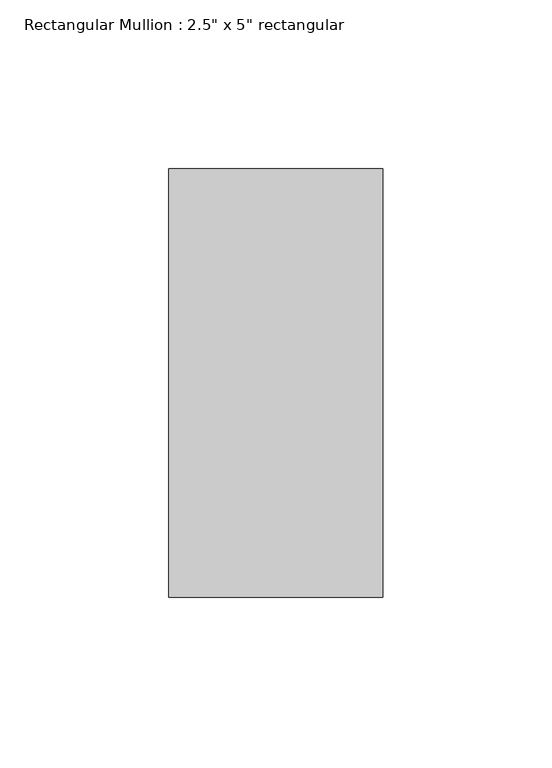
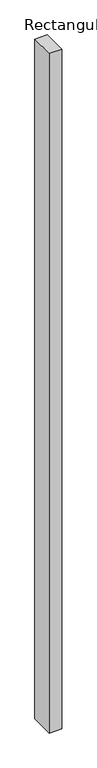
"""IFC4 building model written with IfcOpenShell, lengths in millimetres: member geometry."""

from ifc_helpers import new_model, si_unit, frame, origin, place, context, project, spatial, polyline, outline, extrude, source, transform, mapped, element, save


def member_e50fb9b3(model_context):
    return source(origin(), model_context, "Body", "SweptSolid", [
        extrude(outline(polyline([(31.75, 63.5), (31.75, -63.5), (-31.75, -63.5), (-31.75, 63.5), (31.75, 63.5)])), frame((0.0, 0.0, -3675.1505466), z_axis=(0.0, 0.0, 1.0), x_axis=(1.0, 0.0, 0.0)), (0.0, 0.0, 1.0), 3675.1505466),
    ])


if __name__ == "__main__":
    model = new_model("IFC4")
    model_context = context("Model", 3, world=origin())
    ifc_project = project(units=[si_unit("LENGTHUNIT", "METRE", prefix="MILLI")], contexts=[model_context])
    site = spatial("IfcSite", under=ifc_project)
    building = spatial("IfcBuilding", under=site)
    placement = place(None, origin())
    member_shape = member_e50fb9b3(model_context)
    element("IfcMember", 1, ObjectType="Rectangular Mullion : 2.5\" x 5\" rectangular", at=placement, inside=building, context=model_context, shape_type="MappedRepresentation", body=[
        mapped(member_shape, transform((0.0, 0.0, 0.0), x_axis=(1.0, 0.0, 0.0), y_axis=(0.0, 1.0, 0.0), z_axis=(0.0, 0.0, 1.0))),
    ])
    save(model, "model.ifc")
